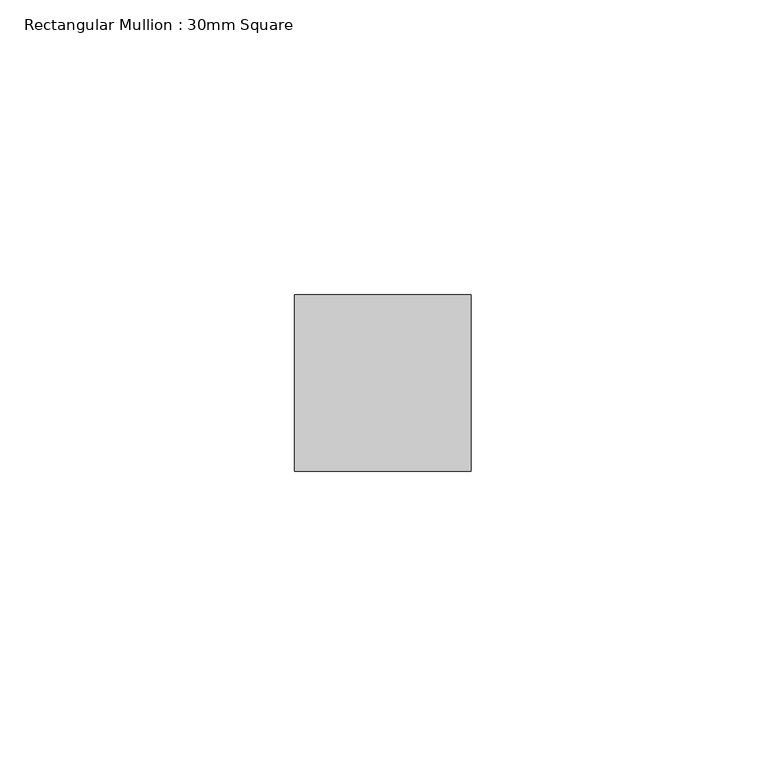
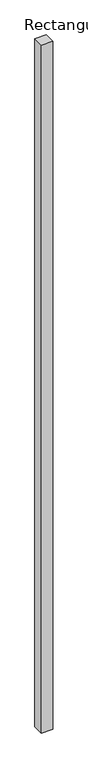
"""IFC4 building model written with IfcOpenShell, lengths in millimetres: member geometry, Rectangular Mullion : 30mm Square."""

from ifc_helpers import new_model, si_unit, frame, origin, place, context, project, spatial, polyline, outline, extrude, source, transform, mapped, element, save


def rectangular_mullion_30mm_square_555cbdee(model_context):
    return source(origin(), model_context, "Body", "SweptSolid", [
        extrude(outline(polyline([(15.0, 15.0), (15.0, -15.0), (-15.0, -15.0), (-15.0, 15.0), (15.0, 15.0)])), frame((0.0, 0.0, -1919.7532875), z_axis=(0.0, 0.0, 1.0), x_axis=(1.0, 0.0, 0.0)), (0.0, 0.0, 1.0), 1919.7532875),
    ])


if __name__ == "__main__":
    model = new_model("IFC4")
    model_context = context("Model", 3, world=origin())
    ifc_project = project(units=[si_unit("LENGTHUNIT", "METRE", prefix="MILLI")], contexts=[model_context])
    site = spatial("IfcSite", under=ifc_project)
    building = spatial("IfcBuilding", under=site)
    placement = place(None, origin())
    rectangular_mullion_30mm_square_shape = rectangular_mullion_30mm_square_555cbdee(model_context)
    element("IfcMember", 1, ObjectType="Rectangular Mullion : 30mm Square", at=placement, inside=building, context=model_context, shape_type="MappedRepresentation", body=[
        mapped(rectangular_mullion_30mm_square_shape, transform((0.0, 0.0, 0.0), x_axis=(1.0, 0.0, 0.0), y_axis=(0.0, 1.0, 0.0), z_axis=(0.0, 0.0, 1.0))),
    ])
    save(model, "model.ifc")
